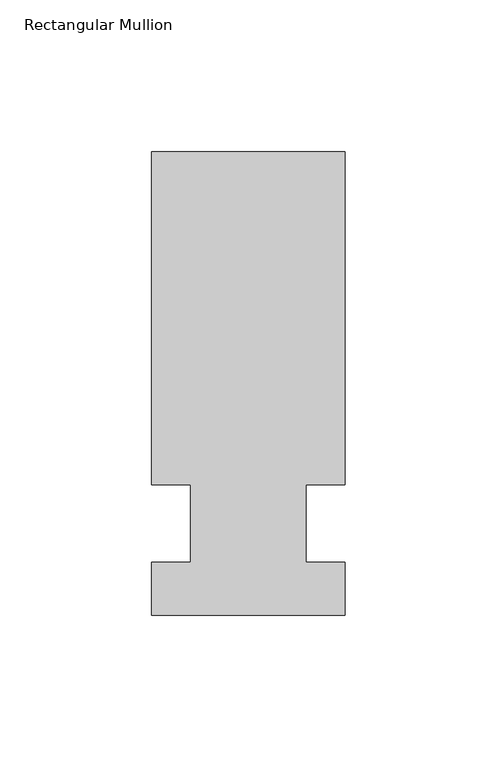
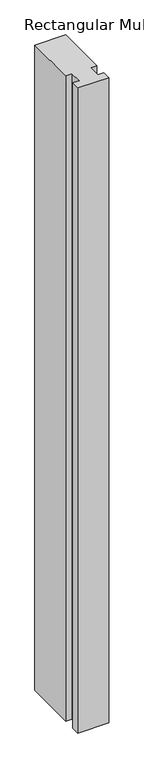
"""IFC4 building model written with IfcOpenShell, lengths in millimetres: member geometry, Rectangular Mullion."""

from ifc_helpers import new_model, si_unit, frame, origin, place, context, project, spatial, polyline, outline, extrude, source, transform, mapped, element, save


def rectangular_mullion_97ff2b2f(model_context):
    return source(origin(), model_context, "Body", "SweptSolid", [
        extrude(outline(polyline([(36.0844027, 122.2375), (36.0844027, 12.7), (23.3826322, 12.7), (23.3826322, -12.7), (36.0844027, -12.7), (36.0844027, -30.1625), (-27.4155973, -30.1625), (-27.4155973, -12.7), (-14.7155973, -12.7), (-14.7155973, 12.7), (-27.4155973, 12.7), (-27.4155973, 122.2375), (36.0844027, 122.2375)])), frame((0.0, 0.0, -1397.957264), z_axis=(0.0, 0.0, 1.0), x_axis=(1.0, 0.0, 0.0)), (0.0, 0.0, 1.0), 1397.957264),
    ])


if __name__ == "__main__":
    model = new_model("IFC4")
    model_context = context("Model", 3, world=origin())
    ifc_project = project(units=[si_unit("LENGTHUNIT", "METRE", prefix="MILLI")], contexts=[model_context])
    site = spatial("IfcSite", under=ifc_project)
    building = spatial("IfcBuilding", under=site)
    placement = place(None, origin())
    rectangular_mullion_shape = rectangular_mullion_97ff2b2f(model_context)
    element("IfcMember", 1, ObjectType="Rectangular Mullion", at=placement, inside=building, context=model_context, shape_type="MappedRepresentation", body=[
        mapped(rectangular_mullion_shape, transform((0.0, 0.0, 0.0), x_axis=(1.0, 0.0, 0.0), y_axis=(0.0, 1.0, 0.0), z_axis=(0.0, 0.0, 1.0))),
    ])
    save(model, "model.ifc")
